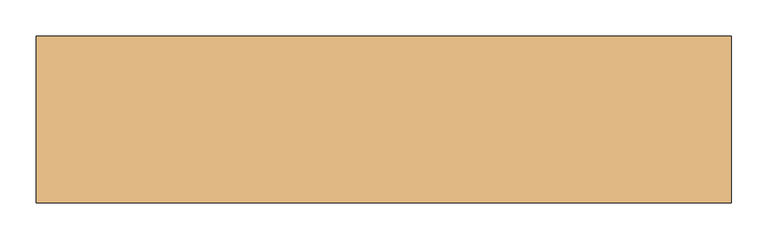
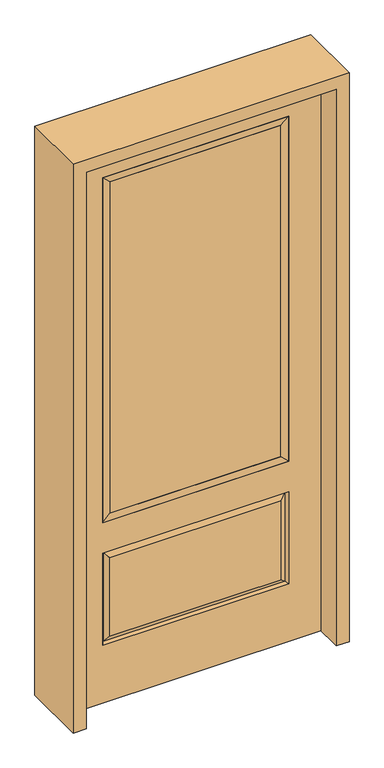
"""IFC4 building model written with IfcOpenShell, lengths in millimetres: door geometry."""

from ifc_helpers import new_model, si_unit, frame, origin, place, context, project, spatial, polyline, outline, extrude, faceted_brep, source, transform, mapped, element, save


def door_7ca6421e(model_context):
    return source(origin(), model_context, "Body", "SolidModel", [
        faceted_brep([(-313.5661499, -12.7912373, 216.6588501), (313.5661499, -12.7912373, 216.6588501), (296.06875, -22.225, 234.15625), (-296.06875, -22.225, 234.15625), (-320.675, -22.225, 209.55), (320.675, -22.225, 209.55), (-313.5661499, -12.7912373, 538.9911499), (-320.675, -22.225, 546.1), (296.06875, -22.225, 521.49375), (-296.06875, -22.225, 521.49375), (431.8, -22.225, 2032.0), (-431.8, -22.225, 2032.0), (-431.8, -22.225, 0.0), (431.8, -22.225, 0.0), (320.675, -22.225, 546.1), (320.675, -22.225, 1917.7), (320.675, -22.225, 657.098), (-320.675, -22.225, 657.098), (-320.675, -22.225, 1917.7), (313.5661499, -12.7912373, 538.9911499), (-431.8, 22.225, 2032.0), (-431.8, 22.225, 0.0), (431.8, 22.225, 0.0), (431.8, 22.225, 2032.0), (320.675, 22.225, 1917.7), (320.675, 22.225, 657.098), (-320.675, 22.225, 657.098), (-320.675, 22.225, 1917.7), (-320.675, 22.225, 209.55), (320.675, 22.225, 209.55), (320.675, 22.225, 546.1), (-320.675, 22.225, 546.1), (296.06875, 22.225, 234.15625), (-296.06875, 22.225, 234.15625), (-296.06875, 22.225, 521.49375), (296.06875, 22.225, 521.49375), (-313.5661499, 12.7912373, 216.6588501), (313.5661499, 12.7912373, 216.6588501), (313.5661499, 12.7912373, 538.9911499), (-313.5661499, 12.7912373, 538.9911499)], [[[0, 1, 2, 3]], [[1, 0, 4, 5]], [[4, 0, 6, 7]], [[3, 2, 8, 9]], [[10, 11, 12, 13], [5, 4, 7, 14], [15, 16, 17, 18]], [[1, 5, 14, 19]], [[2, 1, 19, 8]], [[0, 3, 9, 6]], [[7, 6, 19, 14]], [[6, 9, 8, 19]], [[12, 11, 20, 21]], [[13, 12, 21, 22]], [[10, 13, 22, 23]], [[16, 15, 24, 25]], [[17, 16, 25, 26]], [[18, 17, 26, 27]], [[23, 22, 21, 20], [28, 29, 30, 31], [24, 27, 26, 25]], [[32, 33, 34, 35]], [[28, 36, 37, 29]], [[29, 37, 38, 30]], [[39, 31, 30, 38]], [[36, 28, 31, 39]], [[37, 36, 33, 32]], [[33, 36, 39, 34]], [[34, 39, 38, 35]], [[37, 32, 35, 38]], [[11, 10, 23, 20]], [[15, 18, 27, 24]]]),
        faceted_brep([(-320.675, -22.225, 1917.7), (-320.675, 22.225, 1917.7), (-320.675, 22.225, 657.098), (-320.675, -22.225, 657.098), (320.675, 22.225, 657.098), (320.675, -22.225, 657.098), (-295.275, 5.08, 682.498), (295.275, 5.08, 682.498), (320.675, 22.225, 1917.7), (320.675, -22.225, 1917.7), (-295.275, -20.32, 682.498), (295.275, -20.32, 682.498), (-295.275, -20.32, 1892.3), (295.275, -20.32, 1892.3), (-295.275, 5.08, 1892.3), (295.275, 5.08, 1892.3)], [[[0, 1, 2, 3]], [[3, 2, 4, 5]], [[2, 6, 7, 4]], [[5, 4, 8, 9]], [[10, 3, 5, 11]], [[12, 0, 3, 10]], [[11, 5, 9, 13]], [[6, 10, 11, 7]], [[14, 12, 10, 6]], [[7, 11, 13, 15]], [[1, 14, 6, 2]], [[4, 7, 15, 8]], [[9, 8, 1, 0]], [[13, 9, 0, 12]], [[15, 13, 12, 14]], [[8, 15, 14, 1]]]),
        extrude(outline(polyline([(295.275, -20.32), (-295.275, -20.32), (-295.275, 5.08), (295.275, 5.08), (295.275, -20.32)])), frame((0.0, 0.0, 682.498), z_axis=(0.0, 0.0, 1.0), x_axis=(1.0, 0.0, 0.0)), (0.0, 0.0, 1.0), 1209.802),
        extrude(outline(polyline([(2076.45, -476.25), (0.0, -476.25), (0.0, -431.8), (2032.0, -431.8), (2032.0, 431.8), (0.0, 431.8), (0.0, 476.25), (2076.45, 476.25), (2076.45, -476.25)])), frame((0.0, -114.3, 0.0), z_axis=(0.0, 1.0, 0.0), x_axis=(0.0, 0.0, 1.0)), (0.0, 0.0, 1.0), 228.6),
    ])


if __name__ == "__main__":
    model = new_model("IFC4")
    model_context = context("Model", 3, world=origin())
    ifc_project = project(units=[si_unit("LENGTHUNIT", "METRE", prefix="MILLI")], contexts=[model_context])
    site = spatial("IfcSite", under=ifc_project)
    building = spatial("IfcBuilding", under=site)
    placement = place(None, origin())
    door_shape = door_7ca6421e(model_context)
    element("IfcDoor", 1, at=placement, inside=building, context=model_context, shape_type="MappedRepresentation", body=[
        mapped(door_shape, transform((0.0, 0.0, 0.0), x_axis=(1.0, 0.0, 0.0), y_axis=(0.0, 1.0, 0.0), z_axis=(0.0, 0.0, 1.0))),
    ])
    save(model, "model.ifc")
